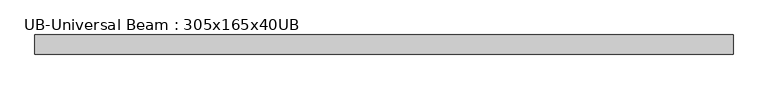
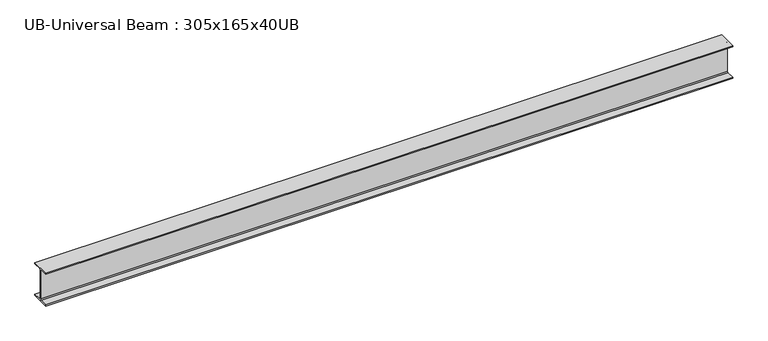
"""IFC4 building model written with IfcOpenShell, lengths in millimetres: beam geometry, UB-Universal Beam : 305x165x40UB."""

from ifc_helpers import new_model, si_unit, point, frame, frame_2d, origin, place, context, project, spatial, polyline, circle_curve, trimmed, segment, composite_curve, outline, extrude, source, transform, mapped, element, save


def ub_universal_beam_305x165x40ub_fe2815f3(model_context):
    return source(origin(), model_context, "Body", "SweptSolid", [
        extrude(outline(composite_curve([segment(polyline([(82.5, -141.2), (82.5, -151.7), (-82.5, -151.7), (-82.5, -141.2), (-11.9, -141.2)]), True, "CONTINUOUS"), segment(trimmed(circle_curve(frame_2d((-11.9, -132.3)), 8.9), [point((-11.9, -141.2))], [point((-3.0, -132.3))], True, "CARTESIAN"), True, "CONTINUOUS"), segment(polyline([(-3.0, -132.3), (-3.0, 132.3)]), True, "CONTINUOUS"), segment(trimmed(circle_curve(frame_2d((-11.9, 132.3)), 8.9), [point((-3.0, 132.3))], [point((-11.9, 141.2))], True, "CARTESIAN"), True, "CONTINUOUS"), segment(polyline([(-11.9, 141.2), (-82.5, 141.2), (-82.5, 151.7), (82.5, 151.7), (82.5, 141.2), (11.9, 141.2)]), True, "CONTINUOUS"), segment(trimmed(circle_curve(frame_2d((11.9, 132.3)), 8.9), [point((11.9, 141.2))], [point((3.0, 132.3))], True, "CARTESIAN"), True, "CONTINUOUS"), segment(polyline([(3.0, 132.3), (3.0, -132.3)]), True, "CONTINUOUS"), segment(trimmed(circle_curve(frame_2d((11.9, -132.3)), 8.9), [point((3.0, -132.3))], [point((11.9, -141.2))], True, "CARTESIAN"), True, "CONTINUOUS"), segment(polyline([(11.9, -141.2), (82.5, -141.2)]), True, "CONTINUOUS")], self_intersect=False)), frame((-3000.0, 0.0, 0.0), z_axis=(1.0, 0.0, 0.0), x_axis=(0.0, 1.0, 0.0)), (0.0, 0.0, 1.0), 6024.4157505),
    ])


if __name__ == "__main__":
    model = new_model("IFC4")
    model_context = context("Model", 3, world=origin())
    ifc_project = project(units=[si_unit("LENGTHUNIT", "METRE", prefix="MILLI")], contexts=[model_context])
    site = spatial("IfcSite", under=ifc_project)
    building = spatial("IfcBuilding", under=site)
    placement = place(None, origin())
    ub_universal_beam_305x165x40ub_shape = ub_universal_beam_305x165x40ub_fe2815f3(model_context)
    element("IfcBeam", 1, ObjectType="UB-Universal Beam : 305x165x40UB", at=placement, inside=building, context=model_context, shape_type="MappedRepresentation", body=[
        mapped(ub_universal_beam_305x165x40ub_shape, transform((0.0, 0.0, 0.0), x_axis=(1.0, 0.0, 0.0), y_axis=(0.0, 1.0, 0.0), z_axis=(0.0, 0.0, 1.0))),
    ])
    save(model, "model.ifc")
